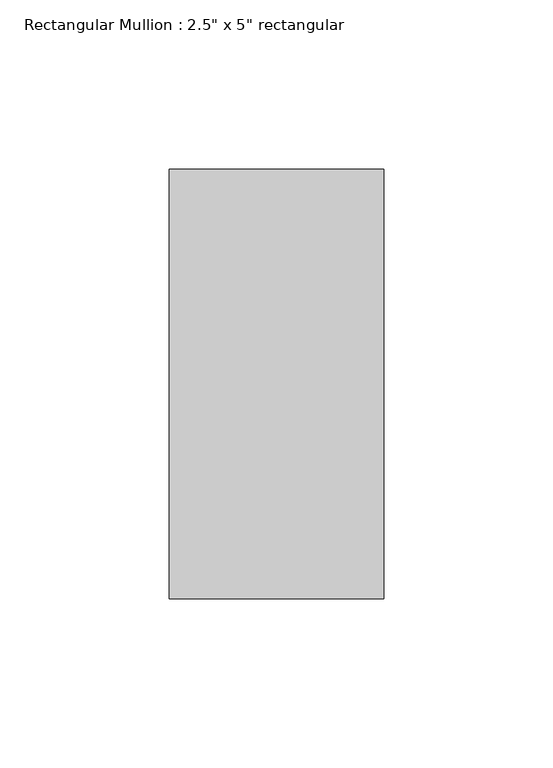
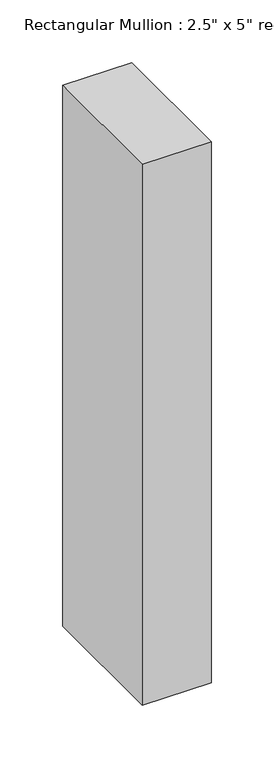
"""IFC4 building model written with IfcOpenShell, lengths in millimetres: member geometry."""

from ifc_helpers import new_model, si_unit, frame, origin, place, context, project, spatial, polyline, outline, extrude, source, transform, mapped, element, save


def member_274b5bb4(model_context):
    return source(origin(), model_context, "Body", "SweptSolid", [
        extrude(outline(polyline([(0.0, 63.5), (0.0, -63.5), (-63.5, -63.5), (-63.5, 63.5), (0.0, 63.5)])), frame((0.0, 0.0, -527.05), z_axis=(0.0, 0.0, 1.0), x_axis=(1.0, 0.0, 0.0)), (0.0, 0.0, 1.0), 527.05),
    ])


if __name__ == "__main__":
    model = new_model("IFC4")
    model_context = context("Model", 3, world=origin())
    ifc_project = project(units=[si_unit("LENGTHUNIT", "METRE", prefix="MILLI")], contexts=[model_context])
    site = spatial("IfcSite", under=ifc_project)
    building = spatial("IfcBuilding", under=site)
    placement = place(None, origin())
    member_shape = member_274b5bb4(model_context)
    element("IfcMember", 1, ObjectType="Rectangular Mullion : 2.5\" x 5\" rectangular", at=placement, inside=building, context=model_context, shape_type="MappedRepresentation", body=[
        mapped(member_shape, transform((0.0, 0.0, 0.0), x_axis=(1.0, 0.0, 0.0), y_axis=(0.0, 1.0, 0.0), z_axis=(0.0, 0.0, 1.0))),
    ])
    save(model, "model.ifc")
